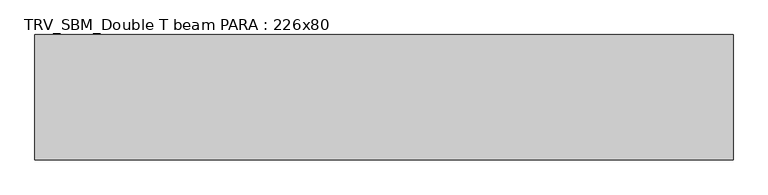
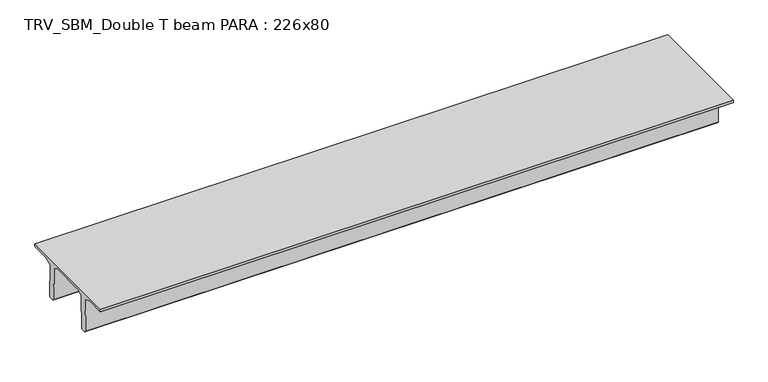
"""IFC4 building model written with IfcOpenShell, lengths in millimetres: beam geometry, TRV_SBM_Double T beam PARA : 226x80."""

from ifc_helpers import new_model, si_unit, frame, origin, place, context, project, spatial, polyline, outline, extrude, source, transform, mapped, element, save


def trv_sbm_double_t_beam_para_226x80_e8a42587(model_context):
    return source(origin(), model_context, "Body", "SweptSolid", [
        extrude(outline(polyline([(352.1399239, 205.988519), (-382.1399239, 205.988519), (-485.0, 144.18395), (-501.9262559, -520.5206011), (-521.4056548, -540.0), (-611.4056548, -540.0), (-631.9887932, -520.5206011), (-615.2025683, 140.6523122), (-776.9153545, 205.988519), (-1145.0, 205.988519), (-1145.0, 260.0), (1115.0, 260.0), (1115.0, 205.988519), (746.9153545, 205.988519), (585.2025683, 140.6523122), (601.9887932, -520.5206011), (581.4056548, -540.0), (491.4056548, -540.0), (471.9262559, -520.5206011), (455.0, 144.18395), (352.1399239, 205.988519)])), frame((-6319.0, 0.0, 0.0), z_axis=(1.0, 0.0, 0.0), x_axis=(0.0, 1.0, 0.0)), (0.0, 0.0, 1.0), 12593.9062685),
    ])


if __name__ == "__main__":
    model = new_model("IFC4")
    model_context = context("Model", 3, world=origin())
    ifc_project = project(units=[si_unit("LENGTHUNIT", "METRE", prefix="MILLI")], contexts=[model_context])
    site = spatial("IfcSite", under=ifc_project)
    building = spatial("IfcBuilding", under=site)
    placement = place(None, origin())
    trv_sbm_double_t_beam_para_226x80_shape = trv_sbm_double_t_beam_para_226x80_e8a42587(model_context)
    element("IfcBeam", 1, ObjectType="TRV_SBM_Double T beam PARA : 226x80", at=placement, inside=building, context=model_context, shape_type="MappedRepresentation", body=[
        mapped(trv_sbm_double_t_beam_para_226x80_shape, transform((0.0, 0.0, 0.0), x_axis=(1.0, 0.0, 0.0), y_axis=(0.0, 1.0, 0.0), z_axis=(0.0, 0.0, 1.0))),
    ])
    save(model, "model.ifc")
